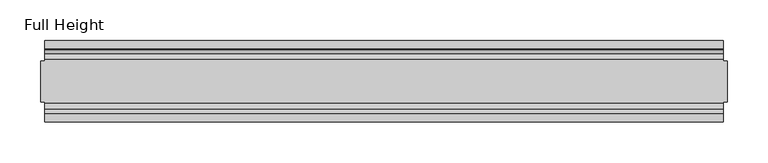
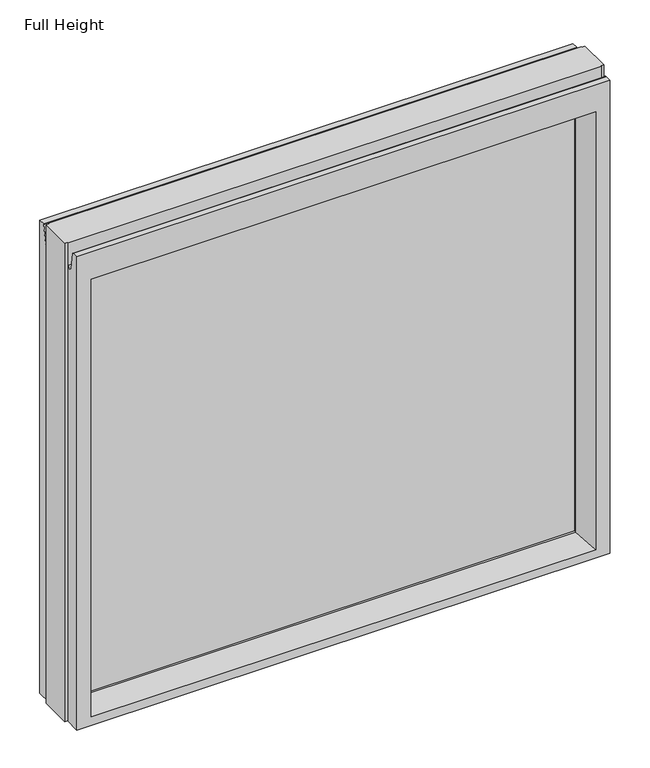
"""IFC4 building model written with IfcOpenShell, lengths in millimetres: plate geometry, Full Height."""

from ifc_helpers import new_model, si_unit, frame, origin, place, context, project, spatial, polyline, circle_curve, outline, extrude, source, transform, mapped, element, save
from ifc_brep_helpers import plane_surface, cylinder_surface, revolved_surface, advanced_brep


def full_height_a3e82b5e(model_context):
    return source(origin(), model_context, "Body", "SolidModel", [
        advanced_brep(
        [(416.2492315, -50.0, 0.0), (-416.2492315, -50.0, 0.0), (-416.2492315, -25.146, 0.0), (-420.8212315, -25.146, 0.0), (-420.8212315, 25.146, 0.0), (-416.2492315, 25.146, 0.0), (-416.2492315, 50.0, 0.0), (416.2492315, 50.0, 0.0), (416.2492315, 25.146, 0.0), (420.8212315, 25.146, 0.0), (420.8212315, -25.146, 0.0), (416.2492315, -25.146, 0.0), (420.8212315, -25.146, 789.94), (420.8212315, 25.146, 789.94), (416.2492315, 25.146, 789.94), (416.2492315, 26.67, 789.94), (-416.2492315, 26.67, 789.94), (-416.2492315, 25.146, 789.94), (-420.8212315, 25.146, 789.94), (-420.8212315, -25.146, 789.94), (-416.2492315, -25.146, 789.94), (-416.2492315, -26.67, 789.94), (416.2492315, -26.67, 789.94), (416.2492315, -25.146, 789.94), (-416.2492315, -26.67, 752.729), (416.2492315, -26.67, 752.729), (-416.2492315, 26.67, 752.729), (-416.2492315, 34.2321175, 752.0674004), (-416.2492315, 39.1867152, 780.1663199), (-416.2492315, 39.9371387, 780.796), (-416.2492315, 50.0, 780.796), (-416.2492315, -50.0, 780.796), (-416.2492315, -39.9371387, 780.796), (-416.2492315, -39.1867152, 780.1663199), (-416.2492315, -34.2321175, 752.0674004), (416.2492315, 50.0, 780.796), (-394.1512315, 50.0, 736.219), (-394.1512315, 50.0, 13.9954), (394.1512315, 50.0, 13.9954), (394.1512315, 50.0, 736.219), (416.2492315, -50.0, 780.796), (-394.1512315, -50.0, 13.9954), (-394.1512315, -50.0, 736.219), (394.1512315, -50.0, 736.219), (394.1512315, -50.0, 13.9954), (-388.1822315, 6.1006519, 730.25), (-388.1822315, 6.1006519, 18.3896), (-388.1822315, -6.1006519, 18.3896), (-388.1822315, -6.1006519, 730.25), (388.1822315, -6.1006519, 730.25), (388.1822315, -6.1006519, 18.3896), (388.1822315, 6.1006519, 730.25), (388.1822315, 6.1006519, 18.3896), (416.2492315, -34.2321175, 752.0674004), (416.2492315, -39.1867152, 780.1663199), (416.2492315, -39.9371387, 780.796), (416.2492315, 39.9371387, 780.796), (416.2492315, 39.1867152, 780.1663199), (416.2492315, 34.2321175, 752.0674004), (416.2492315, 26.67, 752.729)],
        [
            (0, 1),
            (1, 2),
            (2, 3),
            (3, 4),
            (4, 5),
            (5, 6),
            (6, 7),
            (7, 8),
            (8, 9),
            (9, 10),
            (10, 11),
            (11, 0),
            (12, 13),
            (13, 14),
            (14, 15),
            (15, 16),
            (16, 17),
            (17, 18),
            (18, 19),
            (19, 20),
            (20, 21),
            (21, 22),
            (22, 23),
            (23, 12),
            (10, 12),
            (23, 11),
            (13, 9),
            (8, 14),
            (18, 4),
            (3, 19),
            (17, 5),
            (2, 20),
            (24, 25),
            (25, 22),
            (21, 24),
            (16, 26),
            (26, 27, circle_curve(frame((-416.2492315, 30.48, 752.729), z_axis=(1.0, 0.0, 0.0), x_axis=(0.0, 1.0, 0.0)), 3.81)),
            (27, 28),
            (28, 29, circle_curve(frame((-416.2492315, 39.9371387, 780.034), z_axis=(-1.0, 0.0, 0.0), x_axis=(0.0, 1.0, 0.0)), 0.762)),
            (29, 30),
            (30, 6),
            (1, 31),
            (31, 32),
            (32, 33, circle_curve(frame((-416.2492315, -39.9371387, 780.034), z_axis=(-1.0, 0.0, 0.0), x_axis=(0.0, 1.0, 0.0)), 0.762)),
            (33, 34),
            (34, 24, circle_curve(frame((-416.2492315, -30.48, 752.729), z_axis=(1.0, 0.0, 0.0), x_axis=(0.0, 1.0, 0.0)), 3.81)),
            (30, 35),
            (35, 7),
            (36, 37),
            (37, 38),
            (38, 39),
            (39, 36),
            (0, 40),
            (40, 31),
            (41, 42),
            (42, 43),
            (43, 44),
            (44, 41),
            (36, 45),
            (45, 46),
            (46, 37),
            (41, 47),
            (47, 48),
            (48, 42),
            (43, 49),
            (49, 50),
            (50, 44),
            (51, 39),
            (38, 52),
            (52, 51),
            (25, 53, circle_curve(frame((416.2492315, -30.48, 752.729), z_axis=(-1.0, 0.0, 0.0), x_axis=(0.0, 1.0, 0.0)), 3.81)),
            (53, 54),
            (54, 55, circle_curve(frame((416.2492315, -39.9371387, 780.034), z_axis=(1.0, 0.0, 0.0), x_axis=(0.0, 1.0, 0.0)), 0.762)),
            (55, 40),
            (35, 56),
            (56, 57, circle_curve(frame((416.2492315, 39.9371387, 780.034), z_axis=(1.0, 0.0, 0.0), x_axis=(0.0, 1.0, 0.0)), 0.762)),
            (57, 58),
            (58, 59, circle_curve(frame((416.2492315, 30.48, 752.729), z_axis=(-1.0, 0.0, 0.0), x_axis=(0.0, 1.0, 0.0)), 3.81)),
            (59, 15),
            (55, 32),
            (29, 56),
            (59, 26),
            (51, 45),
            (33, 54),
            (53, 34),
            (28, 57),
            (27, 58),
            (46, 52),
            (50, 47),
            (48, 49),
            (51, 49),
            (48, 45),
            (46, 47),
            (50, 52),
        ],
        [
            plane_surface(frame((-416.2492315, 50.0, 0.0), z_axis=(0.0, 0.0, -1.0), x_axis=(0.0, -1.0, 0.0))),
            plane_surface(frame((416.2492315, -25.146, 789.94), z_axis=(0.0, 0.0, 1.0), x_axis=(-1.0, 0.0, 0.0))),
            plane_surface(frame((420.8212315, -25.146, 789.94), z_axis=(0.0, -1.0, 0.0), x_axis=(0.0, 0.0, -1.0))),
            plane_surface(frame((416.2492315, 25.146, 789.94), z_axis=(0.0, 1.0, 0.0), x_axis=(0.0, 0.0, -1.0))),
            plane_surface(frame((420.8212315, 25.146, 789.94), z_axis=(1.0, 0.0, 0.0), x_axis=(0.0, 0.0, -1.0))),
            plane_surface(frame((-420.8212315, -25.146, 789.94), z_axis=(-1.0, 0.0, 0.0), x_axis=(0.0, 0.0, -1.0))),
            plane_surface(frame((-420.8212315, 25.146, 789.94), z_axis=(0.0, 1.0, 0.0), x_axis=(0.0, 0.0, -1.0))),
            plane_surface(frame((-416.2492315, -25.146, 789.94), z_axis=(0.0, -1.0, 0.0), x_axis=(0.0, 0.0, -1.0))),
            plane_surface(frame((-416.2492315, -26.67, 789.94), z_axis=(0.0, -1.0, 0.0), x_axis=(1.0, 0.0, 0.0))),
            plane_surface(frame((-416.2492315, -50.0, 748.0046), z_axis=(-1.0, 0.0, 0.0), x_axis=(0.0, 0.0, -1.0))),
            plane_surface(frame((-416.2492315, 50.0, 748.0046), z_axis=(0.0, 1.0, 0.0), x_axis=(0.0, 0.0, -1.0))),
            plane_surface(frame((-394.1512315, -50.0, 748.0046), z_axis=(0.0, -1.0, 0.0), x_axis=(0.0, 0.0, -1.0))),
            plane_surface(frame((-394.1512315, 50.0, 748.0046), z_axis=(0.990882294353361, 0.13473039277393772, 0.0), x_axis=(0.0, 0.0, -1.0))),
            plane_surface(frame((-388.1822315, -6.1006519, 748.0046), z_axis=(0.990882294353361, -0.13473039277393709, 0.0), x_axis=(0.0, 0.0, -1.0))),
            plane_surface(frame((394.1512315, -50.0, 748.0046), z_axis=(-0.9908822943533626, -0.134730392773925, 0.0), x_axis=(0.0, 0.0, -1.0))),
            plane_surface(frame((388.1822315, 6.1006519, 748.0046), z_axis=(-0.9908822943533585, 0.13473039277395565, 0.0), x_axis=(0.0, 0.0, -1.0))),
            plane_surface(frame((416.2492315, 50.0, 748.0046), z_axis=(1.0, 0.0, 0.0), x_axis=(0.0, 0.0, -1.0))),
            plane_surface(frame((-416.2492315, -39.9371387, 780.796), z_axis=(0.0, 0.0, 1.0), x_axis=(1.0, 0.0, 0.0))),
            plane_surface(frame((-416.2492315, 50.0, 780.796), z_axis=(0.0, 0.0, 1.0), x_axis=(1.0, 0.0, 0.0))),
            plane_surface(frame((-416.2492315, 26.67, 752.729), z_axis=(0.0, 1.0, 0.0), x_axis=(1.0, 0.0, 0.0))),
            plane_surface(frame((-416.2492315, 6.1006519, 730.25), z_axis=(0.0, 0.13473039277393184, -0.9908822943533617), x_axis=(1.0, 0.0, 0.0))),
            plane_surface(frame((-416.2492315, -34.2321175, 752.0674004), z_axis=(0.0, 0.9848077530122084, 0.17364817766692875), x_axis=(1.0, 0.0, 0.0))),
            revolved_surface(polyline([(416.2492315, -26.67, 752.729), (-416.2492315, -26.67, 752.729)]), (416.2492315, -30.48, 752.729), (1.0, 0.0, 0.0)),
            cylinder_surface(frame((416.2492315, -39.9371387, 780.034), z_axis=(-1.0, 0.0, 0.0), x_axis=(0.0, 1.0, 0.0)), 0.762),
            cylinder_surface(frame((416.2492315, 39.9371387, 780.034), z_axis=(-1.0, 0.0, 0.0), x_axis=(0.0, 1.0, 0.0)), 0.762),
            plane_surface(frame((-416.2492315, 39.1867152, 780.1663199), z_axis=(0.0, -0.9848077530122005, 0.17364817766697394), x_axis=(1.0, 0.0, 0.0))),
            revolved_surface(polyline([(416.2492315, 34.29, 752.729), (-416.2492315, 34.29, 752.729)]), (416.2492315, 30.48, 752.729), (1.0, 0.0, 0.0)),
            plane_surface(frame((-416.2492315, 50.0, 13.9954), z_axis=(0.0, 0.09959943661133767, 0.9950276138010965), x_axis=(1.0, 0.0, 0.0))),
            plane_surface(frame((-416.2492315, -6.1006519, 18.3896), z_axis=(0.0, -0.09959943661137731, 0.9950276138010926), x_axis=(1.0, 0.0, 0.0))),
            plane_surface(frame((-416.2492315, -50.0, 736.219), z_axis=(0.0, -0.13473039277391685, -0.9908822943533637), x_axis=(1.0, 0.0, 0.0))),
            plane_surface(frame((-416.2492315, -6.1006519, 730.25), z_axis=(0.0, 0.0, -1.0), x_axis=(1.0, 0.0, 0.0))),
            plane_surface(frame((-416.2492315, 6.1006519, 18.3896), z_axis=(0.0, 0.0, 1.0), x_axis=(1.0, 0.0, 0.0))),
            plane_surface(frame((-388.1822315, 6.1006519, 748.0046), z_axis=(1.0, 0.0, 0.0), x_axis=(0.0, 0.0, -1.0))),
            plane_surface(frame((388.1822315, -6.1006519, 748.0046), z_axis=(-1.0, 0.0, 0.0), x_axis=(0.0, 0.0, -1.0))),
        ],
        [
            (0, [[1, 2, 3, 4, 5, 6, 7, 8, 9, 10, 11, 12]]),
            (1, [[13, 14, 15, 16, 17, 18, 19, 20, 21, 22, 23, 24]]),
            (2, [[-11, 25, -24, 26]]),
            (3, [[27, -9, 28, -14]]),
            (4, [[-25, -10, -27, -13]]),
            (5, [[29, -4, 30, -19]]),
            (6, [[-5, -29, -18, 31]]),
            (7, [[-30, -3, 32, -20]]),
            (8, [[33, 34, -22, 35]]),
            (9, [[-31, -17, 36, 37, 38, 39, 40, 41, -6]]),
            (9, [[42, 43, 44, 45, 46, -35, -21, -32, -2]]),
            (10, [[47, 48, -7, -41], [49, 50, 51, 52]]),
            (11, [[53, 54, -42, -1], [55, 56, 57, 58]]),
            (12, [[59, 60, 61, -49]]),
            (13, [[62, 63, 64, -55]]),
            (14, [[65, 66, 67, -57]]),
            (15, [[68, -51, 69, 70]]),
            (16, [[-26, -23, -34, 71, 72, 73, 74, -53, -12]]),
            (16, [[75, 76, 77, 78, 79, -15, -28, -8, -48]]),
            (17, [[-54, -74, 80, -43]]),
            (18, [[81, -75, -47, -40]]),
            (19, [[-16, -79, 82, -36]]),
            (20, [[-68, 83, -59, -52]]),
            (21, [[84, -72, 85, -45]]),
            (22, [[-85, -71, -33, -46]]),
            (23, [[-80, -73, -84, -44]]),
            (24, [[86, -76, -81, -39]]),
            (25, [[87, -77, -86, -38]]),
            (26, [[-82, -78, -87, -37]]),
            (27, [[-61, 88, -69, -50]]),
            (28, [[-67, 89, -62, -58]]),
            (29, [[-64, 90, -65, -56]]),
            (30, [[91, -90, 92, -83]]),
            (31, [[93, -89, 94, -88]]),
            (32, [[-93, -60, -92, -63]]),
            (33, [[-94, -66, -91, -70]]),
        ],
    ),
        extrude(outline(polyline([(-388.1822315, -3.175), (-388.1822315, 3.175), (388.1822315, 3.175), (388.1822315, -3.175), (-388.1822315, -3.175)])), frame((0.0, 0.0, 18.3896), z_axis=(0.0, 0.0, 1.0), x_axis=(1.0, 0.0, 0.0)), (0.0, 0.0, 1.0), 711.8604),
    ])


if __name__ == "__main__":
    model = new_model("IFC4")
    model_context = context("Model", 3, world=origin())
    ifc_project = project(units=[si_unit("LENGTHUNIT", "METRE", prefix="MILLI")], contexts=[model_context])
    site = spatial("IfcSite", under=ifc_project)
    building = spatial("IfcBuilding", under=site)
    placement = place(None, origin())
    full_height_shape = full_height_a3e82b5e(model_context)
    element("IfcPlate", 1, ObjectType="Full Height", at=placement, inside=building, context=model_context, shape_type="MappedRepresentation", body=[
        mapped(full_height_shape, transform((0.0, 0.0, 0.0), x_axis=(1.0, 0.0, 0.0), y_axis=(0.0, 1.0, 0.0), z_axis=(0.0, 0.0, 1.0))),
    ])
    save(model, "model.ifc")
